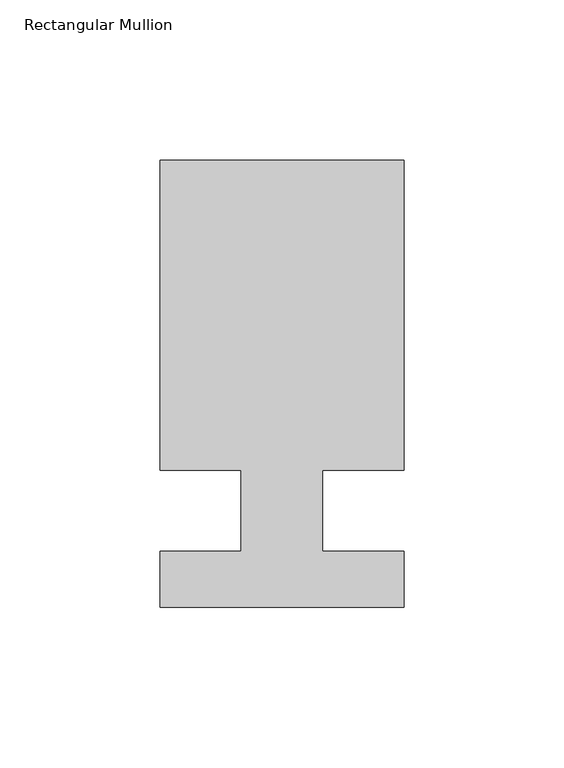
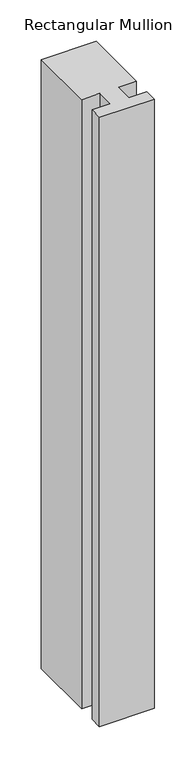
"""IFC4 building model written with IfcOpenShell, lengths in millimetres: member geometry, Rectangular Mullion."""

import ifcopenshell
import ifcopenshell.guid

model = None  # the IFC model being written
_history = None  # IfcOwnerHistory: only IFC2X3 demands one
_inside = {}  # id of a spatial element -> (the spatial element, [elements in it])
_under = {}  # id of a project, library or spatial element -> (it, [spatial elements below it])
_declared = {}  # id of a project -> (the project, [libraries it declares])
_typed = {}  # id of a type object -> (the type object, [elements of that type])
_made_of = {}  # id of a material, layer set ... -> (it, [elements and type objects made of it])


def new_model(schema):
    """Start an empty IFC model of exactly this schema.

    Asked for "IFC4X3", IfcOpenShell would pick the latest addendum, in which some entities
    have other attributes; the version numbers below select the first issue.
    IFC2X3 requires an IfcOwnerHistory on every rooted entity: one is made here for all.
    """
    global model, _history
    if schema == "IFC4X3":
        model = ifcopenshell.file(schema_version=(4, 3, 0, 0))
    else:
        model = ifcopenshell.file(schema=schema)
    _inside.clear()
    _under.clear()
    _declared.clear()
    _typed.clear()
    _made_of.clear()
    _history = None
    if model.schema == "IFC2X3":
        org = make("IfcOrganization", Name="unknown")
        user = make(
            "IfcPersonAndOrganization",
            ThePerson=make("IfcPerson", FamilyName="unknown"),
            TheOrganization=org,
        )
        app = make(
            "IfcApplication",
            ApplicationDeveloper=org,
            Version="unknown",
            ApplicationFullName="unknown",
            ApplicationIdentifier="unknown",
        )
        _history = make(
            "IfcOwnerHistory",
            OwningUser=user,
            OwningApplication=app,
            ChangeAction="ADDED",
            CreationDate=0,
        )
    return model


def make(cls, **values):
    """One entity of the class cls with the attributes given. An attribute that is None is left unset."""
    return model.create_entity(
        cls, **{name: value for name, value in values.items() if value is not None}
    )


def rooted(cls, **values):
    """An entity with a GlobalId (a new one), such as an element, a storey or a relation."""
    return make(cls, GlobalId=ifcopenshell.guid.new(), OwnerHistory=_history, **values)


def si_unit(unit_type, name, prefix=None):
    """IfcSIUnit, for example si_unit("LENGTHUNIT", "METRE", prefix="MILLI")."""
    return make("IfcSIUnit", UnitType=unit_type, Prefix=prefix, Name=name)


def assignment(units):
    """IfcUnitAssignment: the units of a project."""
    return None if units is None else make("IfcUnitAssignment", Units=units)


def point(xyz):
    """IfcCartesianPoint."""
    return None if xyz is None else make("IfcCartesianPoint", Coordinates=xyz)


def direction(xyz):
    """IfcDirection."""
    return None if xyz is None else make("IfcDirection", DirectionRatios=xyz)


def frame(location, z_axis=None, x_axis=None):
    """IfcAxis2Placement3D, a coordinate frame: its origin and axes. An axis left out is left unset."""
    return make(
        "IfcAxis2Placement3D",
        Location=point(location),
        Axis=direction(z_axis),
        RefDirection=direction(x_axis),
    )


def origin():
    """The frame at (0, 0, 0) with its axes left unset."""
    return frame((0.0, 0.0, 0.0))


def place(relative_to, where):
    """IfcLocalPlacement: puts the frame where relative to a parent placement (None: the world)."""
    return make(
        "IfcLocalPlacement", PlacementRelTo=relative_to, RelativePlacement=where
    )


def context(
    kind, dimensions, precision=None, world=None, true_north=None, identifier=None
):
    """IfcGeometricRepresentationContext, for example the 3D "Model" context."""
    return make(
        "IfcGeometricRepresentationContext",
        ContextIdentifier=identifier,
        ContextType=kind,
        CoordinateSpaceDimension=dimensions,
        Precision=precision,
        WorldCoordinateSystem=world,
        TrueNorth=true_north,
    )


def project(units=None, contexts=None):
    """IfcProject with its units and contexts."""
    return rooted(
        "IfcProject",
        Name="project",
        RepresentationContexts=contexts,
        UnitsInContext=assignment(units),
    )


def spatial(cls, under=None, at=None, **own):
    """A site, building, storey or space (cls), placed at a placement, below another one or the project."""
    s = rooted(cls, ObjectPlacement=at, **own)
    if under is not None:
        _under.setdefault(under.id(), (under, []))[1].append(s)
    return s


def polyline(points):
    """IfcPolyline through the points."""
    return make("IfcPolyline", Points=[point(p) for p in points])


def outline(outer, holes=None, kind="AREA"):
    """IfcArbitraryClosedProfileDef: a profile drawn as a closed curve; with holes, ...WithVoids."""
    if holes is None:
        return make("IfcArbitraryClosedProfileDef", ProfileType=kind, OuterCurve=outer)
    return make(
        "IfcArbitraryProfileDefWithVoids",
        ProfileType=kind,
        OuterCurve=outer,
        InnerCurves=holes,
    )


def extrude(swept, where, along, depth):
    """IfcExtrudedAreaSolid: the profile swept, set in the frame where, extruded along a direction by depth."""
    return make(
        "IfcExtrudedAreaSolid",
        SweptArea=swept,
        Position=where,
        ExtrudedDirection=direction(along),
        Depth=depth,
    )


def shape(context_of_items, identifier, shape_type, items):
    """IfcShapeRepresentation: the items that make up one representation, for example the "Body"."""
    return make(
        "IfcShapeRepresentation",
        ContextOfItems=context_of_items,
        RepresentationIdentifier=identifier,
        RepresentationType=shape_type,
        Items=items,
    )


def source(mapping_origin, context_of_items, identifier, shape_type, items):
    """IfcRepresentationMap: a shape defined once, which mapped items show again and again."""
    return make(
        "IfcRepresentationMap",
        MappingOrigin=mapping_origin,
        MappedRepresentation=shape(context_of_items, identifier, shape_type, items),
    )


def transform(
    local_origin,
    x_axis=None,
    y_axis=None,
    z_axis=None,
    scale=None,
    scale2=None,
    scale3=None,
    uniform=True,
):
    """IfcCartesianTransformationOperator3D, or its non-uniform kind. x_axis, y_axis, z_axis: its Axis1, 2, 3."""
    if uniform:
        return make(
            "IfcCartesianTransformationOperator3D",
            Axis1=direction(x_axis),
            Axis2=direction(y_axis),
            LocalOrigin=point(local_origin),
            Scale=scale,
            Axis3=direction(z_axis),
        )
    return make(
        "IfcCartesianTransformationOperator3DnonUniform",
        Axis1=direction(x_axis),
        Axis2=direction(y_axis),
        LocalOrigin=point(local_origin),
        Scale=scale,
        Axis3=direction(z_axis),
        Scale2=scale2,
        Scale3=scale3,
    )


def mapped(mapping_source, mapping_target):
    """IfcMappedItem: shows the shape of a source again, moved by a transform."""
    return make(
        "IfcMappedItem", MappingSource=mapping_source, MappingTarget=mapping_target
    )


def made_of(thing, what):
    """Note that an element or type object is made of a material, layer set ...; save() writes the relation."""
    if what is not None:
        _made_of.setdefault(what.id(), (what, []))[1].append(thing)
    return thing


def element(
    cls,
    number,
    at=None,
    inside=None,
    cuts=None,
    type_object=None,
    material=None,
    context=None,
    identifier="Body",
    shape_type=None,
    held_by="IfcProductDefinitionShape",
    body=None,
    shapes=None,
    **own,
):
    """One element of the class cls, such as IfcWall. Its Tag is "e" and its number.

    at: its placement. inside: the storey or other place that contains it. cuts: it is an
    opening in that element (IfcRelVoidsElement). A single representation is given by context,
    identifier, shape_type and body (its items); several are given by shapes. held_by: the class
    of the entity that holds the representations. save() writes the other relations.
    """
    e = rooted(cls, Tag="e%d" % number, ObjectPlacement=at, **own)
    if body is not None:
        shapes = [shape(context, identifier, shape_type, body)]
    if shapes is not None:
        e.Representation = make(held_by, Representations=shapes)
    if inside is not None:
        _inside.setdefault(inside.id(), (inside, []))[1].append(e)
    if cuts is not None:
        rooted(
            "IfcRelVoidsElement", RelatingBuildingElement=cuts, RelatedOpeningElement=e
        )
    if type_object is not None:
        _typed.setdefault(type_object.id(), (type_object, []))[1].append(e)
    return made_of(e, material)


def aggregate(whole, parts):
    """IfcRelAggregates: a whole, such as a stair, and the parts it consists of."""
    return rooted("IfcRelAggregates", RelatingObject=whole, RelatedObjects=parts)


def save(model, path):
    """Write the relations noted so far, then the file.

    IfcRelAggregates (storeys below a building ...), IfcRelContainedInSpatialStructure (elements
    in a storey), IfcRelDefinesByType, IfcRelAssociatesMaterial and IfcRelDeclares: one each for
    every whole, place, type object, material and project.
    """
    for whole, parts in _under.values():
        aggregate(whole, parts)
    for where, things in _inside.values():
        rooted(
            "IfcRelContainedInSpatialStructure",
            RelatedElements=things,
            RelatingStructure=where,
        )
    for kind, things in _typed.values():
        rooted("IfcRelDefinesByType", RelatedObjects=things, RelatingType=kind)
    for what, things in _made_of.values():
        rooted("IfcRelAssociatesMaterial", RelatedObjects=things, RelatingMaterial=what)
    for by, libraries in _declared.values():
        rooted("IfcRelDeclares", RelatingContext=by, RelatedDefinitions=libraries)
    model.write(path)


def rectangular_mullion_c64d4e31(model_context):
    return source(origin(), model_context, "Body", "SweptSolid", [
        extrude(outline(polyline([(42.4344027, 109.5375), (42.4344027, 12.7), (17.0344027, 12.7), (17.0344027, -12.7), (42.4344027, -12.7), (42.4344027, -30.1625), (-33.7655973, -30.1625), (-33.7655973, -12.7), (-8.3655973, -12.7), (-8.3655973, 12.7), (-33.7655973, 12.7), (-33.7655973, 109.5375), (42.4344027, 109.5375)])), frame((0.0, 0.0, -896.5094027), z_axis=(0.0, 0.0, 1.0), x_axis=(1.0, 0.0, 0.0)), (0.0, 0.0, 1.0), 896.5094027),
    ])


if __name__ == "__main__":
    model = new_model("IFC4")
    model_context = context("Model", 3, world=origin())
    ifc_project = project(units=[si_unit("LENGTHUNIT", "METRE", prefix="MILLI")], contexts=[model_context])
    site = spatial("IfcSite", under=ifc_project)
    building = spatial("IfcBuilding", under=site)
    placement = place(None, origin())
    rectangular_mullion_shape = rectangular_mullion_c64d4e31(model_context)
    element("IfcMember", 1, ObjectType="Rectangular Mullion", at=placement, inside=building, context=model_context, shape_type="MappedRepresentation", body=[
        mapped(rectangular_mullion_shape, transform((0.0, 0.0, 0.0), x_axis=(1.0, 0.0, 0.0), y_axis=(0.0, 1.0, 0.0), z_axis=(0.0, 0.0, 1.0))),
    ])
    save(model, "model.ifc")
